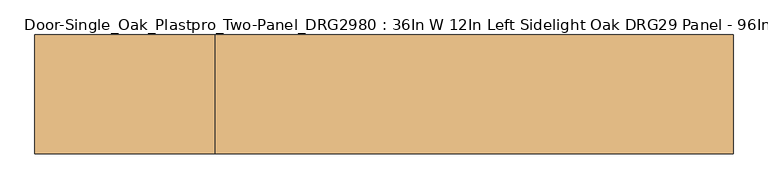
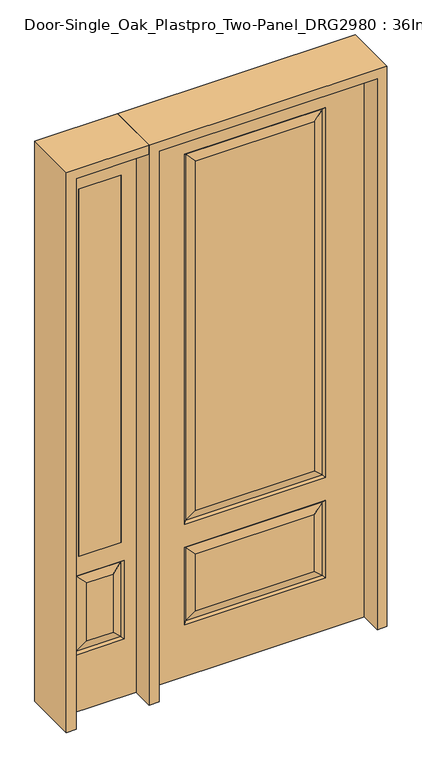
"""IFC4 building model written with IfcOpenShell, lengths in millimetres: door geometry, Door-Single_Oak_Plastpro_Two-Panel_DRG2980 : 36In W 12In Left Sidelight Oak DRG29 Panel - 96In."""

from ifc_helpers import new_model, si_unit, frame, origin, place, context, project, spatial, polyline, outline, extrude, faceted_brep, source, transform, mapped, element, save


def door_single_oak_plastpro_two_panel_drg2980_36in_w_12in_left_98010fb9(model_context):
    return source(origin(), model_context, "Body", "SolidModel", [
        faceted_brep([(-286.1796986, -11.6572439, 562.4046986), (-249.1224548, -20.6375, 525.3474548), (249.1224548, -20.6375, 525.3474548), (286.1796986, -11.6572439, 562.4046986), (249.1224548, -20.6375, 274.7525452), (286.1796986, -11.6572439, 237.6953014), (457.2, 20.6375, 0.0), (457.2, -20.6375, 0.0), (-457.2, -20.6375, 0.0), (-457.2, 20.6375, 0.0), (457.2, 20.6375, 2438.4), (457.2, -20.6375, 2438.4), (-249.1224548, -20.6375, 719.2525452), (249.1224548, -20.6375, 719.2525452), (249.1224548, -20.6375, 2265.2474548), (-249.1224548, -20.6375, 2265.2474548), (-457.2, -20.6375, 2438.4), (295.1599548, -20.6375, 673.2150452), (-295.1599548, -20.6375, 673.2150452), (-295.1599548, -20.6375, 2311.2849548), (295.1599548, -20.6375, 2311.2849548), (295.1599548, -20.6375, 228.7150452), (-295.1599548, -20.6375, 228.7150452), (-295.1599548, -20.6375, 571.3849548), (295.1599548, -20.6375, 571.3849548), (-249.1224548, -20.6375, 274.7525452), (-249.1224548, 20.6375, 274.7525452), (-286.1796986, 11.6572439, 237.6953014), (-286.1796986, 11.6572439, 562.4046986), (-249.1224548, 20.6375, 525.3474548), (-295.1599548, 20.6375, 228.7150452), (-295.1599548, 20.6375, 571.3849548), (286.1796986, 11.6572439, 237.6953014), (249.1224548, 20.6375, 274.7525452), (249.1224548, 20.6375, 525.3474548), (286.1796986, 11.6572439, 562.4046986), (286.1796986, 11.6572439, 682.1953014), (-286.1796986, 11.6572439, 682.1953014), (-249.1224548, 20.6375, 719.2525452), (249.1224548, 20.6375, 719.2525452), (-286.1796986, 11.6572439, 2302.3046986), (-249.1224548, 20.6375, 2265.2474548), (295.1599548, 20.6375, 571.3849548), (-286.1796986, -11.6572439, 237.6953014), (-457.2, 20.6375, 2438.4), (295.1599548, 20.6375, 228.7150452), (-295.1599548, 20.6375, 673.2150452), (295.1599548, 20.6375, 673.2150452), (295.1599548, 20.6375, 2311.2849548), (-295.1599548, 20.6375, 2311.2849548), (249.1224548, 20.6375, 2265.2474548), (286.1796986, 11.6572439, 2302.3046986), (286.1796986, -11.6572439, 682.1953014), (-286.1796986, -11.6572439, 682.1953014), (-286.1796986, -11.6572439, 2302.3046986), (286.1796986, -11.6572439, 2302.3046986)], [[[0, 1, 2, 3]], [[4, 5, 3, 2]], [[6, 7, 8, 9]], [[10, 11, 7, 6]], [[12, 13, 14, 15]], [[11, 16, 8, 7], [17, 18, 19, 20], [21, 22, 23, 24]], [[25, 4, 2, 1]], [[26, 27, 28, 29]], [[27, 30, 31, 28]], [[32, 33, 34, 35]], [[36, 37, 38, 39]], [[38, 37, 40, 41]], [[28, 31, 42, 35]], [[22, 43, 0, 23]], [[23, 0, 3, 24]], [[16, 44, 9, 8]], [[33, 26, 29, 34]], [[44, 10, 6, 9], [30, 45, 42, 31], [46, 47, 48, 49]], [[39, 38, 41, 50]], [[10, 44, 16, 11]], [[47, 36, 51, 48]], [[27, 32, 45, 30]], [[36, 39, 50, 51]], [[45, 32, 35, 42]], [[37, 36, 47, 46]], [[37, 46, 49, 40]], [[32, 27, 26, 33]], [[29, 28, 35, 34]], [[52, 53, 18, 17]], [[18, 53, 54, 19]], [[52, 17, 20, 55]], [[53, 52, 13, 12]], [[13, 52, 55, 14]], [[53, 12, 15, 54]], [[5, 43, 22, 21]], [[5, 21, 24, 3]], [[43, 5, 4, 25]], [[43, 25, 1, 0]], [[19, 54, 55, 20]], [[54, 15, 14, 55]], [[41, 40, 51, 50]], [[40, 49, 48, 51]]]),
        extrude(outline(polyline([(-739.775, -20.6375), (-739.775, 20.6375), (-561.975, 20.6375), (-561.975, -20.6375), (-739.775, -20.6375)])), frame((0.0, 0.0, 685.8), z_axis=(0.0, 0.0, 1.0), x_axis=(1.0, 0.0, 0.0)), (0.0, 0.0, 1.0), 1625.6),
        faceted_brep([(-739.775, -20.6375, 2311.4), (-739.775, 20.6375, 2311.4), (-561.975, 20.6375, 2311.4), (-561.975, -20.6375, 2311.4), (-706.3224548, -20.6375, 557.0974548), (-706.3224548, -20.6375, 300.1525452), (-595.4275452, -20.6375, 300.1525452), (-595.4275452, -20.6375, 557.0974548), (-498.475, -20.6375, 2438.4), (-803.275, -20.6375, 2438.4), (-803.275, -20.6375, 0.0), (-498.475, -20.6375, 0.0), (-752.3599548, -20.6375, 254.1150452), (-752.3599548, -20.6375, 603.1349548), (-549.3900452, -20.6375, 603.1349548), (-549.3900452, -20.6375, 254.1150452), (-561.975, -20.6375, 685.8), (-739.775, -20.6375, 685.8), (-743.3796986, 11.6572439, 594.1546986), (-743.3796986, 11.6572439, 263.0953014), (-752.3599548, 20.6375, 254.1150452), (-752.3599548, 20.6375, 603.1349548), (-549.3900452, 20.6375, 603.1349548), (-558.3703014, 11.6572439, 594.1546986), (-706.3224548, 20.6375, 557.0974548), (-706.3224548, 20.6375, 300.1525452), (-739.775, 20.6375, 685.8), (-561.975, 20.6375, 685.8), (-743.3796986, -11.6572439, 263.0953014), (-558.3703014, -11.6572439, 263.0953014), (-558.3703014, -11.6572439, 594.1546986), (-743.3796986, -11.6572439, 594.1546986), (-498.475, 20.6375, 2438.4), (-803.275, 20.6375, 2438.4), (-498.475, 20.6375, 0.0), (-803.275, 20.6375, 0.0), (-549.3900452, 20.6375, 254.1150452), (-595.4275452, 20.6375, 557.0974548), (-595.4275452, 20.6375, 300.1525452), (-558.3703014, 11.6572439, 263.0953014)], [[[0, 1, 2, 3]], [[4, 5, 6, 7]], [[8, 9, 10, 11], [12, 13, 14, 15], [0, 3, 16, 17]], [[18, 19, 20, 21]], [[18, 21, 22, 23]], [[19, 18, 24, 25]], [[26, 17, 16, 27]], [[5, 28, 29, 6]], [[6, 29, 30, 7]], [[28, 31, 13, 12]], [[32, 33, 9, 8]], [[34, 11, 10, 35]], [[32, 8, 11, 34]], [[9, 33, 35, 10]], [[33, 32, 34, 35], [21, 20, 36, 22], [2, 1, 26, 27]], [[25, 24, 37, 38]], [[20, 19, 39, 36]], [[36, 39, 23, 22]], [[24, 18, 23, 37]], [[39, 38, 37, 23]], [[19, 25, 38, 39]], [[1, 0, 17, 26]], [[3, 2, 27, 16]], [[31, 28, 5, 4]], [[31, 4, 7, 30]], [[13, 31, 30, 14]], [[29, 15, 14, 30]], [[28, 12, 15, 29]]]),
        extrude(outline(polyline([(2438.4, -498.475), (2479.675, -498.475), (2479.675, -844.55), (0.0, -844.55), (0.0, -803.275), (2438.4, -803.275), (2438.4, -498.475)])), frame((0.0, -114.3, 0.0), z_axis=(0.0, 1.0, 0.0), x_axis=(0.0, 0.0, 1.0)), (0.0, 0.0, 1.0), 228.6),
        extrude(outline(polyline([(2479.675, -498.475), (0.0, -498.475), (0.0, -457.2), (2438.4, -457.2), (2438.4, 457.2), (0.0, 457.2), (0.0, 498.475), (2479.675, 498.475), (2479.675, -498.475)])), frame((0.0, -114.3, 0.0), z_axis=(0.0, 1.0, 0.0), x_axis=(0.0, 0.0, 1.0)), (0.0, 0.0, 1.0), 228.6),
    ])


if __name__ == "__main__":
    model = new_model("IFC4")
    model_context = context("Model", 3, world=origin())
    ifc_project = project(units=[si_unit("LENGTHUNIT", "METRE", prefix="MILLI")], contexts=[model_context])
    site = spatial("IfcSite", under=ifc_project)
    building = spatial("IfcBuilding", under=site)
    placement = place(None, origin())
    door_single_oak_plastpro_two_panel_drg2980_36in_w_12in_left_shape = door_single_oak_plastpro_two_panel_drg2980_36in_w_12in_left_98010fb9(model_context)
    element("IfcDoor", 1, ObjectType="Door-Single_Oak_Plastpro_Two-Panel_DRG2980 : 36In W 12In Left Sidelight Oak DRG29 Panel - 96In", at=placement, inside=building, context=model_context, shape_type="MappedRepresentation", body=[
        mapped(door_single_oak_plastpro_two_panel_drg2980_36in_w_12in_left_shape, transform((0.0, 0.0, 0.0), x_axis=(1.0, 0.0, 0.0), y_axis=(0.0, 1.0, 0.0), z_axis=(0.0, 0.0, 1.0))),
    ])
    save(model, "model.ifc")
